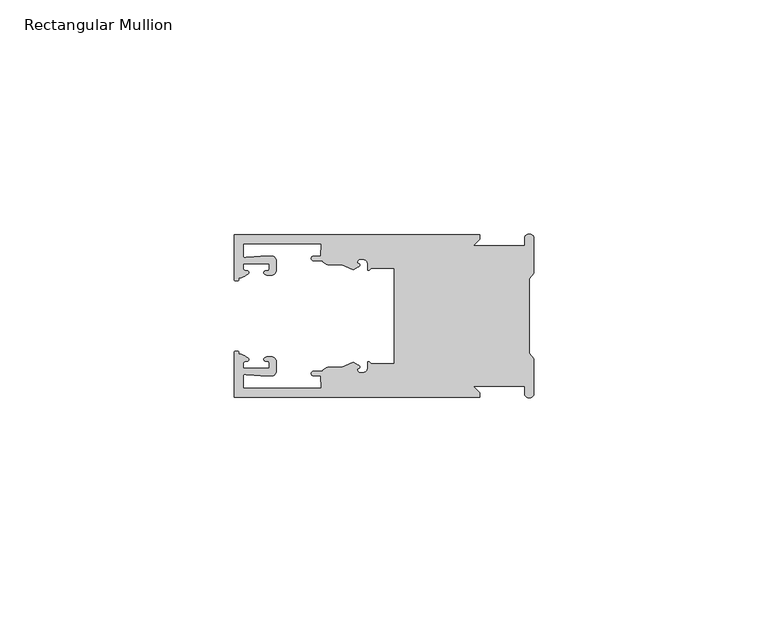
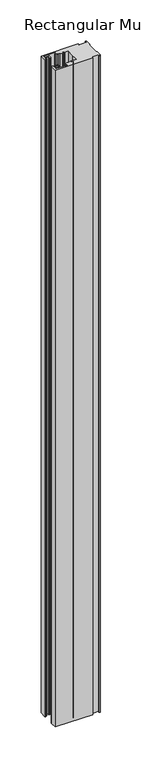
"""IFC4 building model written with IfcOpenShell, lengths in millimetres: member geometry, Rectangular Mullion."""

import ifcopenshell
import ifcopenshell.guid

model = None  # the IFC model being written
_history = None  # IfcOwnerHistory: only IFC2X3 demands one
_inside = {}  # id of a spatial element -> (the spatial element, [elements in it])
_under = {}  # id of a project, library or spatial element -> (it, [spatial elements below it])
_declared = {}  # id of a project -> (the project, [libraries it declares])
_typed = {}  # id of a type object -> (the type object, [elements of that type])
_made_of = {}  # id of a material, layer set ... -> (it, [elements and type objects made of it])


def new_model(schema):
    """Start an empty IFC model of exactly this schema.

    Asked for "IFC4X3", IfcOpenShell would pick the latest addendum, in which some entities
    have other attributes; the version numbers below select the first issue.
    IFC2X3 requires an IfcOwnerHistory on every rooted entity: one is made here for all.
    """
    global model, _history
    if schema == "IFC4X3":
        model = ifcopenshell.file(schema_version=(4, 3, 0, 0))
    else:
        model = ifcopenshell.file(schema=schema)
    _inside.clear()
    _under.clear()
    _declared.clear()
    _typed.clear()
    _made_of.clear()
    _history = None
    if model.schema == "IFC2X3":
        org = make("IfcOrganization", Name="unknown")
        user = make(
            "IfcPersonAndOrganization",
            ThePerson=make("IfcPerson", FamilyName="unknown"),
            TheOrganization=org,
        )
        app = make(
            "IfcApplication",
            ApplicationDeveloper=org,
            Version="unknown",
            ApplicationFullName="unknown",
            ApplicationIdentifier="unknown",
        )
        _history = make(
            "IfcOwnerHistory",
            OwningUser=user,
            OwningApplication=app,
            ChangeAction="ADDED",
            CreationDate=0,
        )
    return model


def make(cls, **values):
    """One entity of the class cls with the attributes given. An attribute that is None is left unset."""
    return model.create_entity(
        cls, **{name: value for name, value in values.items() if value is not None}
    )


def rooted(cls, **values):
    """An entity with a GlobalId (a new one), such as an element, a storey or a relation."""
    return make(cls, GlobalId=ifcopenshell.guid.new(), OwnerHistory=_history, **values)


def si_unit(unit_type, name, prefix=None):
    """IfcSIUnit, for example si_unit("LENGTHUNIT", "METRE", prefix="MILLI")."""
    return make("IfcSIUnit", UnitType=unit_type, Prefix=prefix, Name=name)


def assignment(units):
    """IfcUnitAssignment: the units of a project."""
    return None if units is None else make("IfcUnitAssignment", Units=units)


def point(xyz):
    """IfcCartesianPoint."""
    return None if xyz is None else make("IfcCartesianPoint", Coordinates=xyz)


def direction(xyz):
    """IfcDirection."""
    return None if xyz is None else make("IfcDirection", DirectionRatios=xyz)


def frame(location, z_axis=None, x_axis=None):
    """IfcAxis2Placement3D, a coordinate frame: its origin and axes. An axis left out is left unset."""
    return make(
        "IfcAxis2Placement3D",
        Location=point(location),
        Axis=direction(z_axis),
        RefDirection=direction(x_axis),
    )


def origin():
    """The frame at (0, 0, 0) with its axes left unset."""
    return frame((0.0, 0.0, 0.0))


def place(relative_to, where):
    """IfcLocalPlacement: puts the frame where relative to a parent placement (None: the world)."""
    return make(
        "IfcLocalPlacement", PlacementRelTo=relative_to, RelativePlacement=where
    )


def context(
    kind, dimensions, precision=None, world=None, true_north=None, identifier=None
):
    """IfcGeometricRepresentationContext, for example the 3D "Model" context."""
    return make(
        "IfcGeometricRepresentationContext",
        ContextIdentifier=identifier,
        ContextType=kind,
        CoordinateSpaceDimension=dimensions,
        Precision=precision,
        WorldCoordinateSystem=world,
        TrueNorth=true_north,
    )


def project(units=None, contexts=None):
    """IfcProject with its units and contexts."""
    return rooted(
        "IfcProject",
        Name="project",
        RepresentationContexts=contexts,
        UnitsInContext=assignment(units),
    )


def spatial(cls, under=None, at=None, **own):
    """A site, building, storey or space (cls), placed at a placement, below another one or the project."""
    s = rooted(cls, ObjectPlacement=at, **own)
    if under is not None:
        _under.setdefault(under.id(), (under, []))[1].append(s)
    return s


def polyline(points):
    """IfcPolyline through the points."""
    return make("IfcPolyline", Points=[point(p) for p in points])


def circle_curve(where, radius):
    """IfcCircle in the frame where."""
    return make("IfcCircle", Position=where, Radius=radius)


def shape(context_of_items, identifier, shape_type, items):
    """IfcShapeRepresentation: the items that make up one representation, for example the "Body"."""
    return make(
        "IfcShapeRepresentation",
        ContextOfItems=context_of_items,
        RepresentationIdentifier=identifier,
        RepresentationType=shape_type,
        Items=items,
    )


def source(mapping_origin, context_of_items, identifier, shape_type, items):
    """IfcRepresentationMap: a shape defined once, which mapped items show again and again."""
    return make(
        "IfcRepresentationMap",
        MappingOrigin=mapping_origin,
        MappedRepresentation=shape(context_of_items, identifier, shape_type, items),
    )


def transform(
    local_origin,
    x_axis=None,
    y_axis=None,
    z_axis=None,
    scale=None,
    scale2=None,
    scale3=None,
    uniform=True,
):
    """IfcCartesianTransformationOperator3D, or its non-uniform kind. x_axis, y_axis, z_axis: its Axis1, 2, 3."""
    if uniform:
        return make(
            "IfcCartesianTransformationOperator3D",
            Axis1=direction(x_axis),
            Axis2=direction(y_axis),
            LocalOrigin=point(local_origin),
            Scale=scale,
            Axis3=direction(z_axis),
        )
    return make(
        "IfcCartesianTransformationOperator3DnonUniform",
        Axis1=direction(x_axis),
        Axis2=direction(y_axis),
        LocalOrigin=point(local_origin),
        Scale=scale,
        Axis3=direction(z_axis),
        Scale2=scale2,
        Scale3=scale3,
    )


def mapped(mapping_source, mapping_target):
    """IfcMappedItem: shows the shape of a source again, moved by a transform."""
    return make(
        "IfcMappedItem", MappingSource=mapping_source, MappingTarget=mapping_target
    )


def made_of(thing, what):
    """Note that an element or type object is made of a material, layer set ...; save() writes the relation."""
    if what is not None:
        _made_of.setdefault(what.id(), (what, []))[1].append(thing)
    return thing


def element(
    cls,
    number,
    at=None,
    inside=None,
    cuts=None,
    type_object=None,
    material=None,
    context=None,
    identifier="Body",
    shape_type=None,
    held_by="IfcProductDefinitionShape",
    body=None,
    shapes=None,
    **own,
):
    """One element of the class cls, such as IfcWall. Its Tag is "e" and its number.

    at: its placement. inside: the storey or other place that contains it. cuts: it is an
    opening in that element (IfcRelVoidsElement). A single representation is given by context,
    identifier, shape_type and body (its items); several are given by shapes. held_by: the class
    of the entity that holds the representations. save() writes the other relations.
    """
    e = rooted(cls, Tag="e%d" % number, ObjectPlacement=at, **own)
    if body is not None:
        shapes = [shape(context, identifier, shape_type, body)]
    if shapes is not None:
        e.Representation = make(held_by, Representations=shapes)
    if inside is not None:
        _inside.setdefault(inside.id(), (inside, []))[1].append(e)
    if cuts is not None:
        rooted(
            "IfcRelVoidsElement", RelatingBuildingElement=cuts, RelatedOpeningElement=e
        )
    if type_object is not None:
        _typed.setdefault(type_object.id(), (type_object, []))[1].append(e)
    return made_of(e, material)


def aggregate(whole, parts):
    """IfcRelAggregates: a whole, such as a stair, and the parts it consists of."""
    return rooted("IfcRelAggregates", RelatingObject=whole, RelatedObjects=parts)


def save(model, path):
    """Write the relations noted so far, then the file.

    IfcRelAggregates (storeys below a building ...), IfcRelContainedInSpatialStructure (elements
    in a storey), IfcRelDefinesByType, IfcRelAssociatesMaterial and IfcRelDeclares: one each for
    every whole, place, type object, material and project.
    """
    for whole, parts in _under.values():
        aggregate(whole, parts)
    for where, things in _inside.values():
        rooted(
            "IfcRelContainedInSpatialStructure",
            RelatedElements=things,
            RelatingStructure=where,
        )
    for kind, things in _typed.values():
        rooted("IfcRelDefinesByType", RelatedObjects=things, RelatingType=kind)
    for what, things in _made_of.values():
        rooted("IfcRelAssociatesMaterial", RelatedObjects=things, RelatingMaterial=what)
    for by, libraries in _declared.values():
        rooted("IfcRelDeclares", RelatingContext=by, RelatedDefinitions=libraries)
    model.write(path)


def plane_surface(at):
    """IfcPlane: the flat surface through the origin of the frame at, square to its z axis."""
    return make("IfcPlane", Position=at)


def cylinder_surface(at, radius):
    """IfcCylindricalSurface: all points at the distance radius from the z axis of the frame at."""
    return make("IfcCylindricalSurface", Position=at, Radius=radius)


def revolved_surface(curve, axis_point, axis_direction):
    """IfcSurfaceOfRevolution: the curve turned about the line through axis_point along axis_direction."""
    return make(
        "IfcSurfaceOfRevolution",
        SweptCurve=make("IfcArbitraryOpenProfileDef", ProfileType="CURVE", Curve=curve),
        AxisPosition=make("IfcAxis1Placement", Location=point(axis_point), Axis=direction(axis_direction)),
    )


def extruded_surface(curve, direction_of_extrusion, depth):
    """IfcSurfaceOfLinearExtrusion: the curve pushed along a direction by depth."""
    return make(
        "IfcSurfaceOfLinearExtrusion",
        SweptCurve=make("IfcArbitraryOpenProfileDef", ProfileType="CURVE", Curve=curve),
        ExtrudedDirection=direction(direction_of_extrusion),
        Depth=depth,
    )


def spline_curve(degree, points, multiplicities, knots, weights=None):
    """IfcBSplineCurveWithKnots; with weights, IfcRationalBSplineCurveWithKnots."""
    own = dict(
        Degree=degree,
        ControlPointsList=[point(p) for p in points],
        CurveForm="UNSPECIFIED",
        ClosedCurve=False,
        SelfIntersect=False,
        KnotMultiplicities=multiplicities,
        Knots=knots,
        KnotSpec="UNSPECIFIED",
    )
    if weights is None:
        return make("IfcBSplineCurveWithKnots", **own)
    return make("IfcRationalBSplineCurveWithKnots", WeightsData=weights, **own)


def advanced_brep(points, edges, surfaces, faces):
    """IfcAdvancedBrep: a solid bounded by faces that lie on surfaces and meet in shared edges.

    An edge is (start, end): straight between two places in points (the first is 0);
    or (start, end, curve); or (start, end, curve, False) where it runs against its curve.
    A face is (place in surfaces, loops), or (place, loops, False) where it looks against
    its surface's normal. A loop lists edges by number (the first is 1), with a minus sign
    where the edge is run from its end to its start. The first loop is the outer one.
    """
    corners = [point(p) for p in points]
    vertices = [make("IfcVertexPoint", VertexGeometry=c) for c in corners]
    made = []
    for start, end, *more in edges:
        made.append(
            make(
                "IfcEdgeCurve",
                EdgeStart=vertices[start],
                EdgeEnd=vertices[end],
                EdgeGeometry=more[0] if more else make("IfcPolyline", Points=[corners[start], corners[end]]),
                SameSense=more[1] if len(more) > 1 else True,
            )
        )
    hull = []
    for where, loops, *sense in faces:
        bounds = []
        for j, loop in enumerate(loops):
            ring = [make("IfcOrientedEdge", EdgeElement=made[abs(k) - 1], Orientation=k > 0) for k in loop]
            bounds.append(
                make(
                    "IfcFaceOuterBound" if j == 0 else "IfcFaceBound",
                    Bound=make("IfcEdgeLoop", EdgeList=ring),
                    Orientation=True,
                )
            )
        hull.append(make("IfcAdvancedFace", Bounds=bounds, FaceSurface=surfaces[where], SameSense=sense[0] if sense else True))
    return make("IfcAdvancedBrep", Outer=make("IfcClosedShell", CfsFaces=hull))


def rectangular_mullion_450aaf9c(model_context):
    return source(origin(), model_context, "Body", "AdvancedBrep", [
        advanced_brep(
        [(-11.5387897, 17.4000478, 0.0), (-64.0387868, 17.4000478, 0.0), (-64.0387868, 7.8350057, 0.0), (-63.2884687, 7.5412947, 0.0), (-62.4614154, 8.1921895, 0.0), (-62.0410649, 9.9426451, 0.0), (-62.0424168, 11.1926444, 0.0), (-56.54242, 11.1985924, 0.0), (-56.5410682, 9.9485931, 0.0), (-57.1085345, 8.7314723, 0.0), (-56.0397166, 8.6991345, 0.0), (-55.0407987, 9.7002154, 0.0), (-55.0430697, 11.8002142, 0.0), (-56.0446364, 12.7991315, 0.0), (-58.3650753, 12.7954945, 0.0), (-61.1340054, 12.5502269, 0.0), (-62.044093, 12.7426435, 0.0), (-62.0469668, 15.4000478, 0.0), (-45.4240312, 15.4000478, 0.0), (-45.5732135, 12.8000478, 0.0), (-47.0387868, 12.8000478, 0.0), (-47.0387868, 11.8000478, 0.0), (-45.2543363, 11.8000478, 0.0), (-43.6387868, 10.9000478, 0.0), (-41.0454034, 10.9000478, 0.0), (-38.5697136, 9.8718293, 0.0), (-37.5387868, 10.4670351, 0.0), (-37.6803436, 11.4201497, 0.0), (-37.0270763, 12.1583697, 0.0), (-36.2010815, 12.0127245, 0.0), (-35.54, 11.2248783, 0.0), (-35.54, 10.0, 0.0), (-34.7705791, 10.25, 0.0), (-29.79, 10.25, 0.0), (-29.79, 0.0, 0.0), (-29.79, -10.25, 0.0), (-34.7705791, -10.25, 0.0), (-35.54, -10.0, 0.0), (-35.54, -11.2248783, 0.0), (-36.2010815, -12.0127245, 0.0), (-37.0270763, -12.1583697, 0.0), (-37.6803436, -11.4201497, 0.0), (-37.5387868, -10.4670351, 0.0), (-38.5697136, -9.8718293, 0.0), (-41.0454034, -10.9000478, 0.0), (-43.6387868, -10.9000478, 0.0), (-45.2543363, -11.8000478, 0.0), (-47.0387868, -11.8000478, 0.0), (-47.0387868, -12.8000478, 0.0), (-45.5732135, -12.8000478, 0.0), (-45.4240312, -15.4000478, 0.0), (-62.0469668, -15.4000478, 0.0), (-62.044093, -12.7426435, 0.0), (-61.1340054, -12.5502269, 0.0), (-58.3650753, -12.7954945, 0.0), (-56.0446364, -12.7991314, 0.0), (-55.0430697, -11.8002142, 0.0), (-55.0407987, -9.7002154, 0.0), (-56.0397166, -8.6991345, 0.0), (-57.1085345, -8.7314723, 0.0), (-56.5410682, -9.9485931, 0.0), (-56.54242, -11.1985924, 0.0), (-62.0424168, -11.1926444, 0.0), (-62.0410649, -9.9426451, 0.0), (-62.4614154, -8.1921895, 0.0), (-63.2884687, -7.5412947, 0.0), (-64.0387868, -7.8350057, 0.0), (-64.0387868, -17.4000478, 0.0), (-11.5387897, -17.4000478, 0.0), (-11.5387897, -16.4000449, 0.0), (-12.9388346, -15.0, 0.0), (-2.0, -15.0, 0.0), (-2.0, -16.5, 0.0), (0.0, -16.5, 0.0), (0.0, -9.1160254, 0.0), (-1.0, -7.9613249, 0.0), (-1.0, 0.0, 0.0), (-1.0, 7.9613249, 0.0), (0.0, 9.1160254, 0.0), (0.0, 16.5, 0.0), (-2.0, 16.5, 0.0), (-2.0, 15.0, 0.0), (-12.9388346, 15.0, 0.0), (-11.5387897, 16.4000449, 0.0), (-11.5387897, 17.4000478, -978.4387868), (-11.5387897, 16.4000449, -978.4387868), (-12.9388346, 15.0, -978.4387868), (-2.0, 15.0, -978.4387868), (-2.0, 16.5, -978.4387868), (0.0, 16.5, -978.4387868), (0.0, 9.1160254, -978.4387868), (-1.0, 7.9613249, -978.4387868), (-1.0, 0.0, -978.4387868), (-1.0, -7.9613249, -978.4387868), (0.0, -9.1160254, -978.4387868), (0.0, -16.5, -978.4387868), (-2.0, -16.5, -978.4387868), (-2.0, -15.0, -978.4387868), (-12.9388346, -15.0, -978.4387868), (-11.5387897, -16.4000449, -978.4387868), (-11.5387897, -17.4000478, -978.4387868), (-64.0387868, -17.4000478, -978.4387868), (-64.0387868, -7.8350057, -978.4387868), (-63.2884687, -7.5412947, -978.4387868), (-62.4614154, -8.1921895, -978.4387868), (-62.0410649, -9.9426451, -978.4387868), (-62.0424168, -11.1926444, -978.4387868), (-56.54242, -11.1985924, -978.4387868), (-56.5410682, -9.9485931, -978.4387868), (-57.1085345, -8.7314723, -978.4387868), (-56.0397166, -8.6991345, -978.4387868), (-55.0407987, -9.7002154, -978.4387868), (-55.0430697, -11.8002142, -978.4387868), (-56.0446364, -12.7991315, -978.4387868), (-58.3650753, -12.7954945, -978.4387868), (-61.1340054, -12.5502269, -978.4387868), (-62.044093, -12.7426435, -978.4387868), (-62.0469668, -15.4000478, -978.4387868), (-45.4240312, -15.4000478, -978.4387868), (-45.5732135, -12.8000478, -978.4387868), (-47.0387868, -12.8000478, -978.4387868), (-47.0387868, -11.8000478, -978.4387868), (-45.2543363, -11.8000478, -978.4387868), (-43.6387868, -10.9000478, -978.4387868), (-41.0454034, -10.9000478, -978.4387868), (-38.5697136, -9.8718293, -978.4387868), (-37.5387868, -10.4670351, -978.4387868), (-37.6803436, -11.4201497, -978.4387868), (-37.0270763, -12.1583697, -978.4387868), (-36.2010815, -12.0127245, -978.4387868), (-35.54, -11.2248783, -978.4387868), (-35.54, -10.0, -978.4387868), (-34.7705791, -10.25, -978.4387868), (-29.79, -10.25, -978.4387868), (-29.79, 0.0, -978.4387868), (-29.79, 10.25, -978.4387868), (-34.7705791, 10.25, -978.4387868), (-35.54, 10.0, -978.4387868), (-35.54, 11.2248783, -978.4387868), (-36.2010815, 12.0127245, -978.4387868), (-37.0270763, 12.1583697, -978.4387868), (-37.6803436, 11.4201497, -978.4387868), (-37.5387868, 10.4670351, -978.4387868), (-38.5697136, 9.8718293, -978.4387868), (-41.0454034, 10.9000478, -978.4387868), (-43.6387868, 10.9000478, -978.4387868), (-45.2543363, 11.8000478, -978.4387868), (-47.0387868, 11.8000478, -978.4387868), (-47.0387868, 12.8000478, -978.4387868), (-45.5732135, 12.8000478, -978.4387868), (-45.4240312, 15.4000478, -978.4387868), (-62.0469668, 15.4000478, -978.4387868), (-62.044093, 12.7426435, -978.4387868), (-61.1340054, 12.5502269, -978.4387868), (-58.3650753, 12.7954945, -978.4387868), (-56.0446364, 12.7991314, -978.4387868), (-55.0430697, 11.8002142, -978.4387868), (-55.0407987, 9.7002154, -978.4387868), (-56.0397166, 8.6991345, -978.4387868), (-57.1085345, 8.7314723, -978.4387868), (-56.5410682, 9.9485931, -978.4387868), (-56.54242, 11.1985924, -978.4387868), (-62.0424168, 11.1926444, -978.4387868), (-62.0410649, 9.9426451, -978.4387868), (-62.4614154, 8.1921895, -978.4387868), (-63.2884687, 7.5412947, -978.4387868), (-64.0387868, 7.8350057, -978.4387868), (-64.0387868, 17.4000478, -978.4387868)],
        [
            (0, 1),
            (1, 2),
            (2, 3, spline_curve(3, [(-64.0387868, 7.8350057, 0.0), (-64.038491377, 7.561831774, 0.0), (-63.788385325, 7.463928087, 0.0), (-63.2884687, 7.5412947, 0.0)], [4, 4], [0.0, 0.0019169337574178654])),
            (3, 4, spline_curve(3, [(-63.2884687, 7.5412947, 0.0), (-63.057760917, 7.582232011, 0.0), (-63.018445067, 7.725390894, 0.0), (-63.019925494, 8.056436881, 0.0), (-63.103444208, 8.236386866, 0.0), (-62.4614154, 8.1921895, 0.0)], [4, 2, 4], [0.0, 0.0010199524164107188, 0.0024874514725970356])),
            (4, 5, spline_curve(3, [(-62.4614154, 8.1921895, 0.0), (-60.988497673, 8.880962536, 0.0), (-60.794045122, 9.192776957, 0.0), (-60.949808078, 9.57023562, 0.0), (-61.145214014, 9.682771697, 0.0), (-61.665835706, 9.714019003, 0.0), (-61.965242574, 9.660891484, 0.0), (-62.0410649, 9.9426451, 0.0)], [4, 2, 2, 4], [0.0, 0.003269869179570428, 0.005490050486237203, 0.0073545767114364426])),
            (5, 6),
            (6, 7),
            (7, 8),
            (8, 9, spline_curve(3, [(-56.5410682, 9.9485931, 0.0), (-56.634838635, 9.597117104, 0.0), (-56.904956774, 9.698238818, 0.0), (-57.324171444, 9.731086209, 0.0), (-57.45969165, 9.646199885, 0.0), (-57.729003352, 9.346016011, 0.0), (-57.859492582, 9.113082158, 0.0), (-57.1085345, 8.7314723, 0.0)], [4, 2, 2, 4], [0.0, 0.001593963049934732, 0.0033360256320283306, 0.005339140673503943])),
            (9, 10),
            (10, 11, circle_curve(frame((-56.0407981, 9.699134, 0.0), z_axis=(0.0, 0.0, 1.0), x_axis=(0.0010814451158627505, -0.9999994152380598, 0.0)), 1.0)),
            (11, 12),
            (12, 13, circle_curve(frame((-56.0430691, 11.7991327, 0.0), z_axis=(0.0, 0.0, 1.0), x_axis=(0.0010814451158627505, -0.9999994152380598, 0.0)), 1.0)),
            (13, 14),
            (14, 15),
            (15, 16, spline_curve(3, [(-61.1340054, 12.5502269, 0.0), (-61.605485428, 12.508463911, 0.0), (-61.992111419, 12.303164326, 0.0), (-62.044093, 12.7426435, 0.0)], [4, 4], [0.0, 0.0014803385355886016])),
            (16, 17),
            (17, 18),
            (18, 19),
            (19, 20),
            (20, 21, circle_curve(frame((-47.0387868, 12.3000478, 0.0), z_axis=(0.0, 0.0, 1.0), x_axis=(0.0, -1.0, 0.0)), 0.5)),
            (21, 22),
            (22, 23, circle_curve(frame((-43.6387868, 12.8000478, 0.0), z_axis=(0.0, 0.0, 1.0), x_axis=(0.0, -1.0, 0.0)), 1.9)),
            (23, 24),
            (24, 25),
            (25, 26),
            (26, 27, spline_curve(3, [(-37.5387868, 10.4670351, 0.0), (-36.973919853, 10.833863985, 0.0), (-37.198159645, 11.135696286, 0.0), (-37.587892011, 11.260246073, 0.0), (-37.754584192, 11.180452419, 0.0), (-37.6803436, 11.4201497, 0.0)], [4, 2, 4], [0.0, 0.0019283703160353726, 0.003394584635652914])),
            (27, 28, circle_curve(frame((-37.0434863, 11.5147359, 0.0), z_axis=(0.0, 0.0, -1.0), x_axis=(0.0, -1.0, 0.0)), 0.643843)),
            (28, 29),
            (29, 30, circle_curve(frame((-36.34, 11.2248783, 0.0), z_axis=(0.0, 0.0, -1.0), x_axis=(0.0, -1.0, 0.0)), 0.8)),
            (30, 31),
            (31, 32, spline_curve(3, [(-35.54, 10.0, 0.0), (-35.440000238, 9.598293201, 0.0), (-35.183526594, 9.681626535, 0.0), (-34.7705791, 10.25, 0.0)], [4, 4], [0.0, 0.0027473296990141553])),
            (32, 33),
            (33, 34),
            (34, 35),
            (35, 36),
            (36, 37, spline_curve(3, [(-34.7705791, -10.25, 0.0), (-35.183526594, -9.681626535, 0.0), (-35.440000238, -9.598293201, 0.0), (-35.54, -10.0, 0.0)], [4, 4], [0.0, 0.0027473296990141553])),
            (37, 38),
            (38, 39, circle_curve(frame((-36.34, -11.2248783, 0.0), z_axis=(0.0, 0.0, -1.0), x_axis=(0.0, 1.0, 0.0)), 0.8)),
            (39, 40),
            (40, 41, circle_curve(frame((-37.0434863, -11.5147359, 0.0), z_axis=(0.0, 0.0, -1.0), x_axis=(0.0, 1.0, 0.0)), 0.643843)),
            (41, 42, spline_curve(3, [(-37.6803436, -11.4201497, 0.0), (-37.754584192, -11.180452419, 0.0), (-37.587892011, -11.260246073, 0.0), (-37.198159645, -11.135696286, 0.0), (-36.973919853, -10.833863985, 0.0), (-37.5387868, -10.4670351, 0.0)], [4, 2, 4], [0.0, 0.0014662143196175414, 0.003394584635652914])),
            (42, 43),
            (43, 44),
            (44, 45),
            (45, 46, circle_curve(frame((-43.6387868, -12.8000478, 0.0), z_axis=(0.0, 0.0, 1.0), x_axis=(0.0, 1.0, 0.0)), 1.9)),
            (46, 47),
            (47, 48, circle_curve(frame((-47.0387868, -12.3000478, 0.0), z_axis=(0.0, 0.0, 1.0), x_axis=(0.0, 1.0, 0.0)), 0.5)),
            (48, 49),
            (49, 50),
            (50, 51),
            (51, 52),
            (52, 53, spline_curve(3, [(-62.044093, -12.7426435, 0.0), (-61.992111419, -12.303164326, 0.0), (-61.605485428, -12.508463911, 0.0), (-61.1340054, -12.5502269, 0.0)], [4, 4], [0.0, 0.0014803385355886016])),
            (53, 54),
            (54, 55),
            (55, 56, circle_curve(frame((-56.0430691, -11.7991327, 0.0), z_axis=(0.0, 0.0, 1.0), x_axis=(0.001081445115855867, 0.9999994152380598, 0.0)), 1.0)),
            (56, 57),
            (57, 58, circle_curve(frame((-56.0407981, -9.699134, 0.0), z_axis=(0.0, 0.0, 1.0), x_axis=(0.001081445115855867, 0.9999994152380598, 0.0)), 1.0)),
            (58, 59),
            (59, 60, spline_curve(3, [(-57.1085345, -8.7314723, 0.0), (-57.859492582, -9.113082158, 0.0), (-57.729003352, -9.346016011, 0.0), (-57.45969165, -9.646199885, 0.0), (-57.324171444, -9.731086209, 0.0), (-56.904956774, -9.698238818, 0.0), (-56.634838635, -9.597117104, 0.0), (-56.5410682, -9.9485931, 0.0)], [4, 2, 2, 4], [0.0, 0.002003115041475612, 0.0037451776235692107, 0.005339140673503943])),
            (60, 61),
            (61, 62),
            (62, 63),
            (63, 64, spline_curve(3, [(-62.0410649, -9.9426451, 0.0), (-61.965242574, -9.660891484, 0.0), (-61.665835706, -9.714019003, 0.0), (-61.145214014, -9.682771697, 0.0), (-60.949808078, -9.57023562, 0.0), (-60.794045122, -9.192776957, 0.0), (-60.988497673, -8.880962536, 0.0), (-62.4614154, -8.1921895, 0.0)], [4, 2, 2, 4], [0.0, 0.0018645262251992395, 0.004084707531866015, 0.0073545767114364426])),
            (64, 65, spline_curve(3, [(-62.4614154, -8.1921895, 0.0), (-63.103444208, -8.236386866, 0.0), (-63.019925494, -8.056436881, 0.0), (-63.018445067, -7.725390894, 0.0), (-63.057760917, -7.582232011, 0.0), (-63.2884687, -7.5412947, 0.0)], [4, 2, 4], [0.0, 0.0014674990561863168, 0.0024874514725970356])),
            (65, 66, spline_curve(3, [(-63.2884687, -7.5412947, 0.0), (-63.788385325, -7.463928087, 0.0), (-64.038491377, -7.561831774, 0.0), (-64.0387868, -7.8350057, 0.0)], [4, 4], [0.0, 0.0019169337574178654])),
            (66, 67),
            (67, 68),
            (68, 69),
            (69, 70),
            (70, 71),
            (71, 72),
            (72, 73, circle_curve(frame((-1.0, -16.5, 0.0), z_axis=(0.0, 0.0, 1.0), x_axis=(0.0, 1.0, 0.0)), 1.0)),
            (73, 74),
            (74, 75),
            (75, 76),
            (76, 77),
            (77, 78),
            (78, 79),
            (79, 80, circle_curve(frame((-1.0, 16.5, 0.0), z_axis=(0.0, 0.0, 1.0), x_axis=(0.0, -1.0, 0.0)), 1.0)),
            (80, 81),
            (81, 82),
            (82, 83),
            (83, 0),
            (84, 85),
            (85, 86),
            (86, 87),
            (87, 88),
            (88, 89, circle_curve(frame((-1.0, 16.5, -978.4387868), z_axis=(0.0, 0.0, -1.0), x_axis=(0.0, -1.0, 0.0)), 1.0)),
            (89, 90),
            (90, 91),
            (91, 92),
            (92, 93),
            (93, 94),
            (94, 95),
            (95, 96, circle_curve(frame((-1.0, -16.5, -978.4387868), z_axis=(0.0, 0.0, -1.0), x_axis=(0.0, 1.0, 0.0)), 1.0)),
            (96, 97),
            (97, 98),
            (98, 99),
            (99, 100),
            (100, 101),
            (101, 102),
            (102, 103, spline_curve(3, [(-64.0387868, -7.8350057, -978.4387868), (-64.038491377, -7.561831774, -978.4387868), (-63.788385325, -7.463928087, -978.4387868), (-63.2884687, -7.5412947, -978.4387868)], [4, 4], [0.0, 0.0019169337574178654])),
            (103, 104, spline_curve(3, [(-63.2884687, -7.5412947, -978.4387868), (-63.057760917, -7.582232011, -978.4387868), (-63.018445067, -7.725390894, -978.4387868), (-63.019925494, -8.056436881, -978.4387868), (-63.103444208, -8.236386866, -978.4387868), (-62.4614154, -8.1921895, -978.4387868)], [4, 2, 4], [0.0, 0.0010199524164107188, 0.0024874514725970356])),
            (104, 105, spline_curve(3, [(-62.4614154, -8.1921895, -978.4387868), (-60.988497673, -8.880962536, -978.4387868), (-60.794045122, -9.192776957, -978.4387868), (-60.949808078, -9.57023562, -978.4387868), (-61.145214014, -9.682771697, -978.4387868), (-61.665835706, -9.714019003, -978.4387868), (-61.965242574, -9.660891484, -978.4387868), (-62.0410649, -9.9426451, -978.4387868)], [4, 2, 2, 4], [0.0, 0.003269869179570428, 0.005490050486237203, 0.0073545767114364426])),
            (105, 106),
            (106, 107),
            (107, 108),
            (108, 109, spline_curve(3, [(-56.5410682, -9.9485931, -978.4387868), (-56.634838635, -9.597117104, -978.4387868), (-56.904956774, -9.698238818, -978.4387868), (-57.324171444, -9.731086209, -978.4387868), (-57.45969165, -9.646199885, -978.4387868), (-57.729003352, -9.346016011, -978.4387868), (-57.859492582, -9.113082158, -978.4387868), (-57.1085345, -8.7314723, -978.4387868)], [4, 2, 2, 4], [0.0, 0.001593963049934732, 0.0033360256320283306, 0.005339140673503943])),
            (109, 110),
            (110, 111, circle_curve(frame((-56.0407981, -9.699134, -978.4387868), z_axis=(0.0, 0.0, -1.0), x_axis=(0.001081445115855867, 0.9999994152380598, 0.0)), 1.0)),
            (111, 112),
            (112, 113, circle_curve(frame((-56.0430691, -11.7991327, -978.4387868), z_axis=(0.0, 0.0, -1.0), x_axis=(0.001081445115855867, 0.9999994152380598, 0.0)), 1.0)),
            (113, 114),
            (114, 115),
            (115, 116, spline_curve(3, [(-61.1340054, -12.5502269, -978.4387868), (-61.605485428, -12.508463911, -978.4387868), (-61.992111419, -12.303164326, -978.4387868), (-62.044093, -12.7426435, -978.4387868)], [4, 4], [0.0, 0.0014803385355886016])),
            (116, 117),
            (117, 118),
            (118, 119),
            (119, 120),
            (120, 121, circle_curve(frame((-47.0387868, -12.3000478, -978.4387868), z_axis=(0.0, 0.0, -1.0), x_axis=(0.0, 1.0, 0.0)), 0.5)),
            (121, 122),
            (122, 123, circle_curve(frame((-43.6387868, -12.8000478, -978.4387868), z_axis=(0.0, 0.0, -1.0), x_axis=(0.0, 1.0, 0.0)), 1.9)),
            (123, 124),
            (124, 125),
            (125, 126),
            (126, 127, spline_curve(3, [(-37.5387868, -10.4670351, -978.4387868), (-36.973919853, -10.833863985, -978.4387868), (-37.198159645, -11.135696286, -978.4387868), (-37.587892011, -11.260246073, -978.4387868), (-37.754584192, -11.180452419, -978.4387868), (-37.6803436, -11.4201497, -978.4387868)], [4, 2, 4], [0.0, 0.0019283703160353726, 0.003394584635652914])),
            (127, 128, circle_curve(frame((-37.0434863, -11.5147359, -978.4387868), z_axis=(0.0, 0.0, 1.0), x_axis=(0.0, 1.0, 0.0)), 0.643843)),
            (128, 129),
            (129, 130, circle_curve(frame((-36.34, -11.2248783, -978.4387868), z_axis=(0.0, 0.0, 1.0), x_axis=(0.0, 1.0, 0.0)), 0.8)),
            (130, 131),
            (131, 132, spline_curve(3, [(-35.54, -10.0, -978.4387868), (-35.440000238, -9.598293201, -978.4387868), (-35.183526594, -9.681626535, -978.4387868), (-34.7705791, -10.25, -978.4387868)], [4, 4], [0.0, 0.0027473296990141553])),
            (132, 133),
            (133, 134),
            (134, 135),
            (135, 136),
            (136, 137, spline_curve(3, [(-34.7705791, 10.25, -978.4387868), (-35.183526594, 9.681626535, -978.4387868), (-35.440000238, 9.598293201, -978.4387868), (-35.54, 10.0, -978.4387868)], [4, 4], [0.0, 0.0027473296990141553])),
            (137, 138),
            (138, 139, circle_curve(frame((-36.34, 11.2248783, -978.4387868), z_axis=(0.0, 0.0, 1.0), x_axis=(0.0, -1.0, 0.0)), 0.8)),
            (139, 140),
            (140, 141, circle_curve(frame((-37.0434863, 11.5147359, -978.4387868), z_axis=(0.0, 0.0, 1.0), x_axis=(0.0, -1.0, 0.0)), 0.643843)),
            (141, 142, spline_curve(3, [(-37.6803436, 11.4201497, -978.4387868), (-37.754584192, 11.180452419, -978.4387868), (-37.587892011, 11.260246073, -978.4387868), (-37.198159645, 11.135696286, -978.4387868), (-36.973919853, 10.833863985, -978.4387868), (-37.5387868, 10.4670351, -978.4387868)], [4, 2, 4], [0.0, 0.0014662143196175414, 0.003394584635652914])),
            (142, 143),
            (143, 144),
            (144, 145),
            (145, 146, circle_curve(frame((-43.6387868, 12.8000478, -978.4387868), z_axis=(0.0, 0.0, -1.0), x_axis=(0.0, -1.0, 0.0)), 1.9)),
            (146, 147),
            (147, 148, circle_curve(frame((-47.0387868, 12.3000478, -978.4387868), z_axis=(0.0, 0.0, -1.0), x_axis=(0.0, -1.0, 0.0)), 0.5)),
            (148, 149),
            (149, 150),
            (150, 151),
            (151, 152),
            (152, 153, spline_curve(3, [(-62.044093, 12.7426435, -978.4387868), (-61.992111419, 12.303164326, -978.4387868), (-61.605485428, 12.508463911, -978.4387868), (-61.1340054, 12.5502269, -978.4387868)], [4, 4], [0.0, 0.0014803385355886016])),
            (153, 154),
            (154, 155),
            (155, 156, circle_curve(frame((-56.0430691, 11.7991327, -978.4387868), z_axis=(0.0, 0.0, -1.0), x_axis=(0.0010814451158627505, -0.9999994152380598, 0.0)), 1.0)),
            (156, 157),
            (157, 158, circle_curve(frame((-56.0407981, 9.699134, -978.4387868), z_axis=(0.0, 0.0, -1.0), x_axis=(0.0010814451158627505, -0.9999994152380598, 0.0)), 1.0)),
            (158, 159),
            (159, 160, spline_curve(3, [(-57.1085345, 8.7314723, -978.4387868), (-57.859492582, 9.113082158, -978.4387868), (-57.729003352, 9.346016011, -978.4387868), (-57.45969165, 9.646199885, -978.4387868), (-57.324171444, 9.731086209, -978.4387868), (-56.904956774, 9.698238818, -978.4387868), (-56.634838635, 9.597117104, -978.4387868), (-56.5410682, 9.9485931, -978.4387868)], [4, 2, 2, 4], [0.0, 0.002003115041475612, 0.0037451776235692107, 0.005339140673503943])),
            (160, 161),
            (161, 162),
            (162, 163),
            (163, 164, spline_curve(3, [(-62.0410649, 9.9426451, -978.4387868), (-61.965242574, 9.660891484, -978.4387868), (-61.665835706, 9.714019003, -978.4387868), (-61.145214014, 9.682771697, -978.4387868), (-60.949808078, 9.57023562, -978.4387868), (-60.794045122, 9.192776957, -978.4387868), (-60.988497673, 8.880962536, -978.4387868), (-62.4614154, 8.1921895, -978.4387868)], [4, 2, 2, 4], [0.0, 0.0018645262251992395, 0.004084707531866015, 0.0073545767114364426])),
            (164, 165, spline_curve(3, [(-62.4614154, 8.1921895, -978.4387868), (-63.103444208, 8.236386866, -978.4387868), (-63.019925494, 8.056436881, -978.4387868), (-63.018445067, 7.725390894, -978.4387868), (-63.057760917, 7.582232011, -978.4387868), (-63.2884687, 7.5412947, -978.4387868)], [4, 2, 4], [0.0, 0.0014674990561863168, 0.0024874514725970356])),
            (165, 166, spline_curve(3, [(-63.2884687, 7.5412947, -978.4387868), (-63.788385325, 7.463928087, -978.4387868), (-64.038491377, 7.561831774, -978.4387868), (-64.0387868, 7.8350057, -978.4387868)], [4, 4], [0.0, 0.0019169337574178654])),
            (166, 167),
            (167, 84),
            (0, 84),
            (167, 1),
            (166, 2),
            (165, 3),
            (164, 4),
            (163, 5),
            (162, 6),
            (161, 7),
            (160, 8),
            (159, 9),
            (158, 10),
            (157, 11),
            (156, 12),
            (155, 13),
            (154, 14),
            (153, 15),
            (152, 16),
            (151, 17),
            (150, 18),
            (149, 19),
            (148, 20),
            (147, 21),
            (146, 22),
            (145, 23),
            (144, 24),
            (143, 25),
            (142, 26),
            (141, 27),
            (140, 28),
            (139, 29),
            (138, 30),
            (137, 31),
            (136, 32),
            (135, 33),
            (134, 34),
            (133, 35),
            (132, 36),
            (131, 37),
            (130, 38),
            (129, 39),
            (128, 40),
            (127, 41),
            (126, 42),
            (125, 43),
            (124, 44),
            (123, 45),
            (122, 46),
            (121, 47),
            (120, 48),
            (119, 49),
            (118, 50),
            (117, 51),
            (116, 52),
            (115, 53),
            (114, 54),
            (113, 55),
            (112, 56),
            (111, 57),
            (110, 58),
            (109, 59),
            (108, 60),
            (107, 61),
            (106, 62),
            (105, 63),
            (104, 64),
            (103, 65),
            (102, 66),
            (101, 67),
            (100, 68),
            (99, 69),
            (98, 70),
            (97, 71),
            (96, 72),
            (95, 73),
            (94, 74),
            (93, 75),
            (92, 76),
            (91, 77),
            (90, 78),
            (89, 79),
            (88, 80),
            (87, 81),
            (86, 82),
            (85, 83),
        ],
        [
            plane_surface(frame((0.0, -66.3605898, 0.0), z_axis=(0.0, 0.0, 1.0), x_axis=(-1.0, 0.0, 0.0))),
            plane_surface(frame((0.0, -66.3605898, -978.4387868), z_axis=(0.0, 0.0, -1.0), x_axis=(-1.0, 0.0, 0.0))),
            plane_surface(frame((-11.5387897, 17.4000478, 0.0), z_axis=(0.0, 1.0, 0.0), x_axis=(0.0, 0.0, -1.0))),
            plane_surface(frame((-64.0387868, 17.4000478, 0.0), z_axis=(-1.0, 0.0, 0.0), x_axis=(0.0, 0.0, -1.0))),
            extruded_surface(spline_curve(3, [(-64.0387868, 7.8350057, -978.4387868), (-64.038491377, 7.561831774, -978.4387868), (-63.788385325, 7.463928087, -978.4387868), (-63.2884687, 7.5412947, -978.4387868)], [4, 4], [0.0, 0.0019169337574178654]), (0.0, 0.0, 978.4387868), 978.4387868),
            extruded_surface(spline_curve(3, [(-63.2884687, 7.5412947, -978.4387868), (-63.057760917, 7.582232011, -978.4387868), (-63.018445067, 7.725390894, -978.4387868), (-63.019925494, 8.056436881, -978.4387868), (-63.103444208, 8.236386866, -978.4387868), (-62.4614154, 8.1921895, -978.4387868)], [4, 2, 4], [0.0, 0.0010199524164107188, 0.0024874514725970356]), (0.0, 0.0, 978.4387868), 978.4387868),
            extruded_surface(spline_curve(3, [(-62.4614154, 8.1921895, -978.4387868), (-60.988497673, 8.880962536, -978.4387868), (-60.794045122, 9.192776957, -978.4387868), (-60.949808078, 9.57023562, -978.4387868), (-61.145214014, 9.682771697, -978.4387868), (-61.665835706, 9.714019003, -978.4387868), (-61.965242574, 9.660891484, -978.4387868), (-62.0410649, 9.9426451, -978.4387868)], [4, 2, 2, 4], [0.0, 0.003269869179570428, 0.005490050486237203, 0.0073545767114364426]), (0.0, 0.0, 978.4387868), 978.4387868),
            plane_surface(frame((-62.0410649, 9.9426451, 0.0), z_axis=(0.9999994152380598, 0.0010814451158593665, 0.0), x_axis=(0.0, 0.0, -1.0))),
            plane_surface(frame((-62.0424168, 11.1926444, 0.0), z_axis=(0.0010814451158611391, -0.9999994152380598, 0.0), x_axis=(0.0, 0.0, -1.0))),
            plane_surface(frame((-56.54242, 11.1985924, 0.0), z_axis=(-0.9999994152380598, -0.0010814451158584516, 0.0), x_axis=(0.0, 0.0, -1.0))),
            extruded_surface(spline_curve(3, [(-56.5410682, 9.9485931, -978.4387868), (-56.634838635, 9.597117104, -978.4387868), (-56.904956774, 9.698238818, -978.4387868), (-57.324171444, 9.731086209, -978.4387868), (-57.45969165, 9.646199885, -978.4387868), (-57.729003352, 9.346016011, -978.4387868), (-57.859492582, 9.113082158, -978.4387868), (-57.1085345, 8.7314723, -978.4387868)], [4, 2, 2, 4], [0.0, 0.001593963049934732, 0.0033360256320283306, 0.005339140673503943]), (0.0, 0.0, 978.4387868), 978.4387868),
            plane_surface(frame((-57.1085345, 8.7314723, 0.0), z_axis=(-0.030241832452869922, -0.9995426111826813, 0.0), x_axis=(0.0, 0.0, -1.0))),
            cylinder_surface(frame((-56.0407981, 9.699134, 0.0), z_axis=(0.0, 0.0, 1.0000000000000002), x_axis=(0.0010814451158627505, -0.9999994152380598, 0.0)), 1.0),
            plane_surface(frame((-55.0407987, 9.7002154, 0.0), z_axis=(0.9999994152380598, 0.001081445115858722, 0.0), x_axis=(0.0, 0.0, -1.0))),
            cylinder_surface(frame((-56.0430691, 11.7991327, 0.0), z_axis=(0.0, 0.0, 1.0000000000000002), x_axis=(0.0010814451158627505, -0.9999994152380598, 0.0)), 1.0),
            plane_surface(frame((-56.0446364, 12.7991314, 0.0), z_axis=(-0.0015673183327907744, 0.9999987717558677, 0.0), x_axis=(0.0, 0.0, -1.0))),
            plane_surface(frame((-58.3650753, 12.7954945, 0.0), z_axis=(-0.08823302167299531, 0.9960998614026874, 0.0), x_axis=(0.0, 0.0, -1.0))),
            extruded_surface(spline_curve(3, [(-61.1340054, 12.5502269, -978.4387868), (-61.605485428, 12.508463911, -978.4387868), (-61.992111419, 12.303164326, -978.4387868), (-62.044093, 12.7426435, -978.4387868)], [4, 4], [0.0, 0.0014803385355886016]), (0.0, 0.0, 978.4387868), 978.4387868),
            plane_surface(frame((-62.044093, 12.7426435, 0.0), z_axis=(0.9999994152380598, 0.0010814451158597813, 0.0), x_axis=(0.0, 0.0, -1.0))),
            plane_surface(frame((-62.0469668, 15.4000478, 0.0), z_axis=(0.0, -1.0, 0.0), x_axis=(0.0, 0.0, -1.0))),
            plane_surface(frame((-45.4240312, 15.4000478, 0.0), z_axis=(-0.9983579461523547, 0.05728360458675776, 0.0), x_axis=(0.0, 0.0, -1.0))),
            plane_surface(frame((-45.5732135, 12.8000478, 0.0), z_axis=(0.0, 1.0, 0.0), x_axis=(0.0, 0.0, -1.0))),
            cylinder_surface(frame((-47.0387868, 12.3000478, 0.0), z_axis=(0.0, 0.0, 1.0), x_axis=(0.0, -1.0, 0.0)), 0.5),
            plane_surface(frame((-47.0387868, 11.8000478, 0.0), z_axis=(0.0, -1.0, 0.0), x_axis=(0.0, 0.0, -1.0))),
            cylinder_surface(frame((-43.6387868, 12.8000478, 0.0), z_axis=(0.0, 0.0, 1.0), x_axis=(0.0, -1.0, 0.0)), 1.9),
            plane_surface(frame((-43.6387868, 10.9000478, 0.0), z_axis=(0.0, -1.0, 0.0), x_axis=(0.0, 0.0, -1.0))),
            plane_surface(frame((-41.0454034, 10.9000478, 0.0), z_axis=(-0.3835602140750569, -0.9235158700199453, 0.0), x_axis=(0.0, 0.0, -1.0))),
            plane_surface(frame((-38.5697136, 9.8718293, 0.0), z_axis=(0.5000000000252295, -0.8660254037698725, 0.0), x_axis=(0.0, 0.0, -1.0))),
            extruded_surface(spline_curve(3, [(-37.5387868, 10.4670351, -978.4387868), (-36.973919853, 10.833863985, -978.4387868), (-37.198159645, 11.135696286, -978.4387868), (-37.587892011, 11.260246073, -978.4387868), (-37.754584192, 11.180452419, -978.4387868), (-37.6803436, 11.4201497, -978.4387868)], [4, 2, 4], [0.0, 0.0019283703160353726, 0.003394584635652914]), (0.0, 0.0, 978.4387868), 978.4387868),
            revolved_surface(polyline([(-37.0434863, 10.8708929, -978.4387868), (-37.0434863, 10.8708929, 0.0)]), (-37.0434863, 11.5147359, 0.0), (0.0, 0.0, -1.0)),
            plane_surface(frame((-37.0270763, 12.1583697, 0.0), z_axis=(-0.17364817767050408, -0.984807753011578, 0.0), x_axis=(0.0, 0.0, -1.0))),
            revolved_surface(polyline([(-36.34, 10.4248783, -978.4387868), (-36.34, 10.4248783, 0.0)]), (-36.34, 11.2248783, 0.0), (0.0, 0.0, -1.0)),
            plane_surface(frame((-35.54, 11.2248783, 0.0), z_axis=(-1.0, 0.0, 0.0), x_axis=(0.0, 0.0, -1.0))),
            extruded_surface(spline_curve(3, [(-35.54, 10.0, -978.4387868), (-35.440000238, 9.598293201, -978.4387868), (-35.183526594, 9.681626535, -978.4387868), (-34.7705791, 10.25, -978.4387868)], [4, 4], [0.0, 0.0027473296990141553]), (0.0, 0.0, 978.4387868), 978.4387868),
            plane_surface(frame((-34.7705791, 10.25, 0.0), z_axis=(0.0, -1.0, 0.0), x_axis=(0.0, 0.0, -1.0))),
            plane_surface(frame((-29.79, 10.25, 0.0), z_axis=(-1.0, 0.0, 0.0), x_axis=(0.0, 0.0, -1.0))),
            plane_surface(frame((-29.79, 0.0, 0.0), z_axis=(-1.0, 0.0, 0.0), x_axis=(0.0, 0.0, -1.0))),
            plane_surface(frame((-29.79, -10.25, 0.0), z_axis=(0.0, 1.0, 0.0), x_axis=(0.0, 0.0, -1.0))),
            extruded_surface(spline_curve(3, [(-34.7705791, -10.25, -978.4387868), (-35.183526594, -9.681626535, -978.4387868), (-35.440000238, -9.598293201, -978.4387868), (-35.54, -10.0, -978.4387868)], [4, 4], [0.0, 0.0027473296990141553]), (0.0, 0.0, 978.4387868), 978.4387868),
            plane_surface(frame((-35.54, -10.0, 0.0), z_axis=(-1.0, 0.0, 0.0), x_axis=(0.0, 0.0, -1.0))),
            revolved_surface(polyline([(-36.34, -10.4248783, -978.4387868), (-36.34, -10.4248783, 0.0)]), (-36.34, -11.2248783, 0.0), (0.0, 0.0, -1.0)),
            plane_surface(frame((-36.2010815, -12.0127245, 0.0), z_axis=(-0.17364817767051083, 0.9848077530115767, 0.0), x_axis=(0.0, 0.0, -1.0))),
            revolved_surface(polyline([(-37.0434863, -10.8708929, -978.4387868), (-37.0434863, -10.8708929, 0.0)]), (-37.0434863, -11.5147359, 0.0), (0.0, 0.0, -1.0)),
            extruded_surface(spline_curve(3, [(-37.6803436, -11.4201497, -978.4387868), (-37.754584192, -11.180452419, -978.4387868), (-37.587892011, -11.260246073, -978.4387868), (-37.198159645, -11.135696286, -978.4387868), (-36.973919853, -10.833863985, -978.4387868), (-37.5387868, -10.4670351, -978.4387868)], [4, 2, 4], [0.0, 0.0014662143196175414, 0.003394584635652914]), (0.0, 0.0, 978.4387868), 978.4387868),
            plane_surface(frame((-37.5387868, -10.4670351, 0.0), z_axis=(0.5000000000252234, 0.8660254037698759, 0.0), x_axis=(0.0, 0.0, -1.0))),
            plane_surface(frame((-38.5697136, -9.8718293, 0.0), z_axis=(-0.38356021407506324, 0.9235158700199426, 0.0), x_axis=(0.0, 0.0, -1.0))),
            plane_surface(frame((-41.0454034, -10.9000478, 0.0), z_axis=(0.0, 1.0, 0.0), x_axis=(0.0, 0.0, -1.0))),
            cylinder_surface(frame((-43.6387868, -12.8000478, 0.0), z_axis=(0.0, 0.0, 1.0), x_axis=(0.0, 1.0, 0.0)), 1.9),
            plane_surface(frame((-45.2543363, -11.8000478, 0.0), z_axis=(0.0, 1.0, 0.0), x_axis=(0.0, 0.0, -1.0))),
            cylinder_surface(frame((-47.0387868, -12.3000478, 0.0), z_axis=(0.0, 0.0, 1.0), x_axis=(0.0, 1.0, 0.0)), 0.5),
            plane_surface(frame((-47.0387868, -12.8000478, 0.0), z_axis=(0.0, -1.0, 0.0), x_axis=(0.0, 0.0, -1.0))),
            plane_surface(frame((-45.5732135, -12.8000478, 0.0), z_axis=(-0.9983579461523543, -0.05728360458676463, 0.0), x_axis=(0.0, 0.0, -1.0))),
            plane_surface(frame((-45.4240312, -15.4000478, 0.0), z_axis=(0.0, 1.0, 0.0), x_axis=(0.0, 0.0, -1.0))),
            plane_surface(frame((-62.0469668, -15.4000478, 0.0), z_axis=(0.9999994152380598, -0.001081445115852898, 0.0), x_axis=(0.0, 0.0, -1.0))),
            extruded_surface(spline_curve(3, [(-62.044093, -12.7426435, -978.4387868), (-61.992111419, -12.303164326, -978.4387868), (-61.605485428, -12.508463911, -978.4387868), (-61.1340054, -12.5502269, -978.4387868)], [4, 4], [0.0, 0.0014803385355886016]), (0.0, 0.0, 978.4387868), 978.4387868),
            plane_surface(frame((-61.1340054, -12.5502269, 0.0), z_axis=(-0.08823302167298844, -0.9960998614026879, 0.0), x_axis=(0.0, 0.0, -1.0))),
            plane_surface(frame((-58.3650753, -12.7954945, 0.0), z_axis=(-0.001567318332783891, -0.9999987717558677, 0.0), x_axis=(0.0, 0.0, -1.0))),
            cylinder_surface(frame((-56.0430691, -11.7991327, 0.0), z_axis=(0.0, 0.0, 1.0000000000000002), x_axis=(0.001081445115855867, 0.9999994152380598, 0.0)), 1.0),
            plane_surface(frame((-55.0430697, -11.8002142, 0.0), z_axis=(0.9999994152380598, -0.0010814451158518386, 0.0), x_axis=(0.0, 0.0, -1.0))),
            cylinder_surface(frame((-56.0407981, -9.699134, 0.0), z_axis=(0.0, 0.0, 1.0000000000000002), x_axis=(0.001081445115855867, 0.9999994152380598, 0.0)), 1.0),
            plane_surface(frame((-56.0397166, -8.6991345, 0.0), z_axis=(-0.030241832452876805, 0.9995426111826811, 0.0), x_axis=(0.0, 0.0, -1.0))),
            extruded_surface(spline_curve(3, [(-57.1085345, -8.7314723, -978.4387868), (-57.859492582, -9.113082158, -978.4387868), (-57.729003352, -9.346016011, -978.4387868), (-57.45969165, -9.646199885, -978.4387868), (-57.324171444, -9.731086209, -978.4387868), (-56.904956774, -9.698238818, -978.4387868), (-56.634838635, -9.597117104, -978.4387868), (-56.5410682, -9.9485931, -978.4387868)], [4, 2, 2, 4], [0.0, 0.002003115041475612, 0.0037451776235692107, 0.005339140673503943]), (0.0, 0.0, 978.4387868), 978.4387868),
            plane_surface(frame((-56.5410682, -9.9485931, 0.0), z_axis=(-0.9999994152380598, 0.0010814451158515682, 0.0), x_axis=(0.0, 0.0, -1.0))),
            plane_surface(frame((-56.54242, -11.1985924, 0.0), z_axis=(0.0010814451158542558, 0.9999994152380598, 0.0), x_axis=(0.0, 0.0, -1.0))),
            plane_surface(frame((-62.0424168, -11.1926444, 0.0), z_axis=(0.9999994152380598, -0.001081445115852483, 0.0), x_axis=(0.0, 0.0, -1.0))),
            extruded_surface(spline_curve(3, [(-62.0410649, -9.9426451, -978.4387868), (-61.965242574, -9.660891484, -978.4387868), (-61.665835706, -9.714019003, -978.4387868), (-61.145214014, -9.682771697, -978.4387868), (-60.949808078, -9.57023562, -978.4387868), (-60.794045122, -9.192776957, -978.4387868), (-60.988497673, -8.880962536, -978.4387868), (-62.4614154, -8.1921895, -978.4387868)], [4, 2, 2, 4], [0.0, 0.0018645262251992395, 0.004084707531866015, 0.0073545767114364426]), (0.0, 0.0, 978.4387868), 978.4387868),
            extruded_surface(spline_curve(3, [(-62.4614154, -8.1921895, -978.4387868), (-63.103444208, -8.236386866, -978.4387868), (-63.019925494, -8.056436881, -978.4387868), (-63.018445067, -7.725390894, -978.4387868), (-63.057760917, -7.582232011, -978.4387868), (-63.2884687, -7.5412947, -978.4387868)], [4, 2, 4], [0.0, 0.0014674990561863168, 0.0024874514725970356]), (0.0, 0.0, 978.4387868), 978.4387868),
            extruded_surface(spline_curve(3, [(-63.2884687, -7.5412947, -978.4387868), (-63.788385325, -7.463928087, -978.4387868), (-64.038491377, -7.561831774, -978.4387868), (-64.0387868, -7.8350057, -978.4387868)], [4, 4], [0.0, 0.0019169337574178654]), (0.0, 0.0, 978.4387868), 978.4387868),
            plane_surface(frame((-64.0387868, -7.8350057, 0.0), z_axis=(-1.0, 0.0, 0.0), x_axis=(0.0, 0.0, -1.0))),
            plane_surface(frame((-64.0387868, -17.4000478, 0.0), z_axis=(0.0, -1.0, 0.0), x_axis=(0.0, 0.0, -1.0))),
            plane_surface(frame((-11.5387897, -17.4000478, 0.0), z_axis=(1.0, 0.0, 0.0), x_axis=(0.0, 0.0, -1.0))),
            plane_surface(frame((-11.5387897, -16.4000449, 0.0), z_axis=(0.7071067811865457, 0.7071067811865493, 0.0), x_axis=(0.0, 0.0, -1.0))),
            plane_surface(frame((-12.9388346, -15.0, 0.0), z_axis=(0.0, -1.0, 0.0), x_axis=(0.0, 0.0, -1.0))),
            plane_surface(frame((-2.0, -15.0, 0.0), z_axis=(-1.0, 0.0, 0.0), x_axis=(0.0, 0.0, -1.0))),
            cylinder_surface(frame((-1.0, -16.5, 0.0), z_axis=(0.0, 0.0, 1.0), x_axis=(0.0, 1.0, 0.0)), 1.0),
            plane_surface(frame((0.0, -16.5, 0.0), z_axis=(1.0, 0.0, 0.0), x_axis=(0.0, 0.0, -1.0))),
            plane_surface(frame((0.0, -9.1160254, 0.0), z_axis=(0.7559289460231527, 0.6546536707025522, 0.0), x_axis=(0.0, 0.0, -1.0))),
            plane_surface(frame((-1.0, -7.9613249, 0.0), z_axis=(1.0, 0.0, 0.0), x_axis=(0.0, 0.0, -1.0))),
            plane_surface(frame((-1.0, 0.0, 0.0), z_axis=(1.0, 0.0, 0.0), x_axis=(0.0, 0.0, -1.0))),
            plane_surface(frame((-1.0, 7.9613249, 0.0), z_axis=(0.7559289460231571, -0.654653670702547, 0.0), x_axis=(0.0, 0.0, -1.0))),
            plane_surface(frame((0.0, 9.1160254, 0.0), z_axis=(1.0, 0.0, 0.0), x_axis=(0.0, 0.0, -1.0))),
            cylinder_surface(frame((-1.0, 16.5, 0.0), z_axis=(0.0, 0.0, 1.0), x_axis=(0.0, -1.0, 0.0)), 1.0),
            plane_surface(frame((-2.0, 16.5, 0.0), z_axis=(-1.0, 0.0, 0.0), x_axis=(0.0, 0.0, -1.0))),
            plane_surface(frame((-2.0, 15.0, 0.0), z_axis=(0.0, 1.0, 0.0), x_axis=(0.0, 0.0, -1.0))),
            plane_surface(frame((-12.9388346, 15.0, 0.0), z_axis=(0.7071067811865507, -0.7071067811865446, 0.0), x_axis=(0.0, 0.0, -1.0))),
            plane_surface(frame((-11.5387897, 16.4000449, 0.0), z_axis=(1.0, 0.0, 0.0), x_axis=(0.0, 0.0, -1.0))),
        ],
        [
            (0, [[1, 2, 3, 4, 5, 6, 7, 8, 9, 10, 11, 12, 13, 14, 15, 16, 17, 18, 19, 20, 21, 22, 23, 24, 25, 26, 27, 28, 29, 30, 31, 32, 33, 34, 35, 36, 37, 38, 39, 40, 41, 42, 43, 44, 45, 46, 47, 48, 49, 50, 51, 52, 53, 54, 55, 56, 57, 58, 59, 60, 61, 62, 63, 64, 65, 66, 67, 68, 69, 70, 71, 72, 73, 74, 75, 76, 77, 78, 79, 80, 81, 82, 83, 84]]),
            (1, [[85, 86, 87, 88, 89, 90, 91, 92, 93, 94, 95, 96, 97, 98, 99, 100, 101, 102, 103, 104, 105, 106, 107, 108, 109, 110, 111, 112, 113, 114, 115, 116, 117, 118, 119, 120, 121, 122, 123, 124, 125, 126, 127, 128, 129, 130, 131, 132, 133, 134, 135, 136, 137, 138, 139, 140, 141, 142, 143, 144, 145, 146, 147, 148, 149, 150, 151, 152, 153, 154, 155, 156, 157, 158, 159, 160, 161, 162, 163, 164, 165, 166, 167, 168]]),
            (2, [[-1, 169, -168, 170]]),
            (3, [[-2, -170, -167, 171]]),
            (4, [[-3, -171, -166, 172]]),
            (5, [[-4, -172, -165, 173]]),
            (6, [[-5, -173, -164, 174]]),
            (7, [[-6, -174, -163, 175]]),
            (8, [[-7, -175, -162, 176]]),
            (9, [[-8, -176, -161, 177]]),
            (10, [[-9, -177, -160, 178]]),
            (11, [[-10, -178, -159, 179]]),
            (12, [[-11, -179, -158, 180]]),
            (13, [[-12, -180, -157, 181]]),
            (14, [[-13, -181, -156, 182]]),
            (15, [[-14, -182, -155, 183]]),
            (16, [[-15, -183, -154, 184]]),
            (17, [[-16, -184, -153, 185]]),
            (18, [[-17, -185, -152, 186]]),
            (19, [[-18, -186, -151, 187]]),
            (20, [[-19, -187, -150, 188]]),
            (21, [[-20, -188, -149, 189]]),
            (22, [[-21, -189, -148, 190]]),
            (23, [[-22, -190, -147, 191]]),
            (24, [[-23, -191, -146, 192]]),
            (25, [[-24, -192, -145, 193]]),
            (26, [[-25, -193, -144, 194]]),
            (27, [[-26, -194, -143, 195]]),
            (28, [[-27, -195, -142, 196]]),
            (29, [[-28, -196, -141, 197]]),
            (30, [[-29, -197, -140, 198]]),
            (31, [[-30, -198, -139, 199]]),
            (32, [[-31, -199, -138, 200]]),
            (33, [[-32, -200, -137, 201]]),
            (34, [[-33, -201, -136, 202]]),
            (35, [[-34, -202, -135, 203]]),
            (36, [[-35, -203, -134, 204]]),
            (37, [[-36, -204, -133, 205]]),
            (38, [[-37, -205, -132, 206]]),
            (39, [[-38, -206, -131, 207]]),
            (40, [[-39, -207, -130, 208]]),
            (41, [[-40, -208, -129, 209]]),
            (42, [[-41, -209, -128, 210]]),
            (43, [[-42, -210, -127, 211]]),
            (44, [[-43, -211, -126, 212]]),
            (45, [[-44, -212, -125, 213]]),
            (46, [[-45, -213, -124, 214]]),
            (47, [[-46, -214, -123, 215]]),
            (48, [[-47, -215, -122, 216]]),
            (49, [[-48, -216, -121, 217]]),
            (50, [[-49, -217, -120, 218]]),
            (51, [[-50, -218, -119, 219]]),
            (52, [[-51, -219, -118, 220]]),
            (53, [[-52, -220, -117, 221]]),
            (54, [[-53, -221, -116, 222]]),
            (55, [[-54, -222, -115, 223]]),
            (56, [[-55, -223, -114, 224]]),
            (57, [[-56, -224, -113, 225]]),
            (58, [[-57, -225, -112, 226]]),
            (59, [[-58, -226, -111, 227]]),
            (60, [[-59, -227, -110, 228]]),
            (61, [[-60, -228, -109, 229]]),
            (62, [[-61, -229, -108, 230]]),
            (63, [[-62, -230, -107, 231]]),
            (64, [[-63, -231, -106, 232]]),
            (65, [[-64, -232, -105, 233]]),
            (66, [[-65, -233, -104, 234]]),
            (67, [[-66, -234, -103, 235]]),
            (68, [[-67, -235, -102, 236]]),
            (69, [[-68, -236, -101, 237]]),
            (70, [[-69, -237, -100, 238]]),
            (71, [[-70, -238, -99, 239]]),
            (72, [[-71, -239, -98, 240]]),
            (73, [[-72, -240, -97, 241]]),
            (74, [[-73, -241, -96, 242]]),
            (75, [[-74, -242, -95, 243]]),
            (76, [[-75, -243, -94, 244]]),
            (77, [[-76, -244, -93, 245]]),
            (78, [[-77, -245, -92, 246]]),
            (79, [[-78, -246, -91, 247]]),
            (80, [[-79, -247, -90, 248]]),
            (81, [[-80, -248, -89, 249]]),
            (82, [[-81, -249, -88, 250]]),
            (83, [[-82, -250, -87, 251]]),
            (84, [[-83, -251, -86, 252]]),
            (85, [[-84, -252, -85, -169]]),
        ],
    ),
    ])


if __name__ == "__main__":
    model = new_model("IFC4")
    model_context = context("Model", 3, world=origin())
    ifc_project = project(units=[si_unit("LENGTHUNIT", "METRE", prefix="MILLI")], contexts=[model_context])
    site = spatial("IfcSite", under=ifc_project)
    building = spatial("IfcBuilding", under=site)
    placement = place(None, origin())
    rectangular_mullion_shape = rectangular_mullion_450aaf9c(model_context)
    element("IfcMember", 1, ObjectType="Rectangular Mullion", at=placement, inside=building, context=model_context, shape_type="MappedRepresentation", body=[
        mapped(rectangular_mullion_shape, transform((0.0, 0.0, 0.0), x_axis=(1.0, 0.0, 0.0), y_axis=(0.0, 1.0, 0.0), z_axis=(0.0, 0.0, 1.0))),
    ])
    save(model, "model.ifc")
